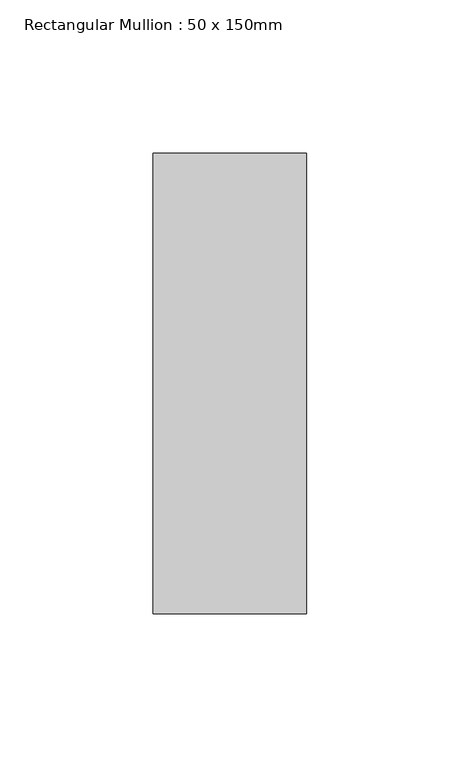
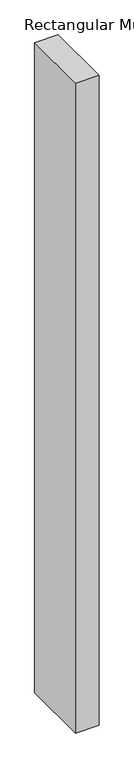
"""IFC4 building model written with IfcOpenShell, lengths in millimetres: member geometry, Rectangular Mullion : 50 x 150mm."""

from ifc_helpers import new_model, si_unit, frame, origin, place, context, project, spatial, polyline, outline, extrude, source, transform, mapped, element, save


def rectangular_mullion_50_x_150mm_5d00c975(model_context):
    return source(origin(), model_context, "Body", "SweptSolid", [
        extrude(outline(polyline([(25.0, 75.0), (25.0, -75.0), (-25.0, -75.0), (-25.0, 75.0), (25.0, 75.0)])), frame((0.0, 0.0, -1461.638566), z_axis=(0.0, 0.0, 1.0), x_axis=(1.0, 0.0, 0.0)), (0.0, 0.0, 1.0), 1461.638566),
    ])


if __name__ == "__main__":
    model = new_model("IFC4")
    model_context = context("Model", 3, world=origin())
    ifc_project = project(units=[si_unit("LENGTHUNIT", "METRE", prefix="MILLI")], contexts=[model_context])
    site = spatial("IfcSite", under=ifc_project)
    building = spatial("IfcBuilding", under=site)
    placement = place(None, origin())
    rectangular_mullion_50_x_150mm_shape = rectangular_mullion_50_x_150mm_5d00c975(model_context)
    element("IfcMember", 1, ObjectType="Rectangular Mullion : 50 x 150mm", at=placement, inside=building, context=model_context, shape_type="MappedRepresentation", body=[
        mapped(rectangular_mullion_50_x_150mm_shape, transform((0.0, 0.0, 0.0), x_axis=(1.0, 0.0, 0.0), y_axis=(0.0, 1.0, 0.0), z_axis=(0.0, 0.0, 1.0))),
    ])
    save(model, "model.ifc")
